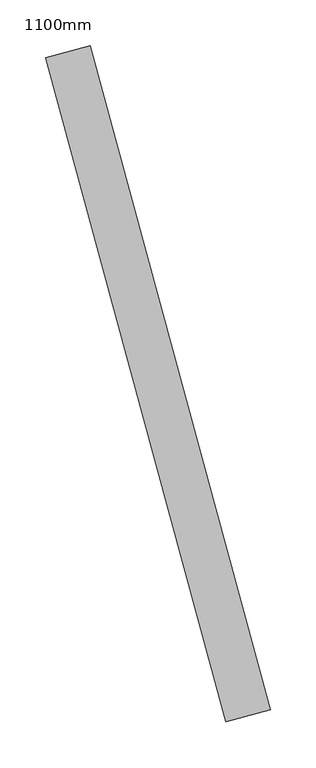
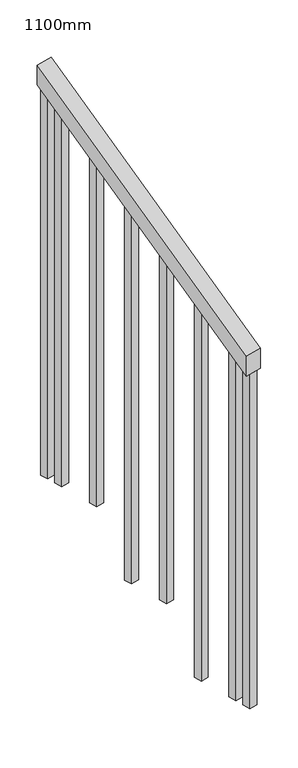
"""IFC4 building model written with IfcOpenShell, lengths in millimetres: railing geometry, 1100mm."""

from ifc_helpers import new_model, si_unit, frame, origin, place, context, project, spatial, polyline, outline, extrude, source, transform, mapped, element, save


def railing_1100mm_fe90957e(model_context):
    return source(origin(), model_context, "Body", "SweptSolid", [
        extrude(outline(polyline([(-35.5555555, -50.0), (0.0, 0.0), (920.2958462, 0.0), (884.7402906, -50.0), (-35.5555555, -50.0)])), frame((244699.1611672, 87092.3868938, 1277.7777778), z_axis=(0.9649894123601838, 0.26228883703418915, 0.0), x_axis=(-0.21375368431595645, 0.7864232597553966, 0.5795237863600168)), (0.0, 0.0, 1.0), 50.0),
        extrude(outline(polyline([(1271.980277, -25.0000001), (108.8888889, -25.0000001), (91.1111112, 0.0), (1271.980277, 0.0), (1271.980277, -25.0000001)])), frame((244527.6213489, 87771.158093, 1805.3136103), z_axis=(0.9649894123601837, 0.26228883703418915, 0.0), x_axis=(0.0, 0.0, -1.0)), (0.0, 0.0, 1.0), 25.0),
        extrude(outline(polyline([(1183.0913881, -25.0), (108.8888889, -25.0), (91.1111111, 0.0), (1183.0913881, 0.0), (1183.0913881, -25.0)])), frame((244560.4074536, 87650.5344164, 1716.4247214), z_axis=(0.9649894123601837, 0.26228883703418915, 0.0), x_axis=(0.0, 0.0, -1.0)), (0.0, 0.0, 1.0), 25.0),
        extrude(outline(polyline([(1271.9802769, -25.0), (108.8888889, -25.0), (91.1111111, 0.0), (1271.9802769, 0.0), (1271.9802769, -25.0)])), frame((244593.1935582, 87529.9107399, 1627.5358325), z_axis=(0.9649894123601837, 0.26228883703418915, 0.0), x_axis=(0.0, 0.0, -1.0)), (0.0, 0.0, 1.0), 25.0),
        extrude(outline(polyline([(1183.091388, -25.0), (108.8888889, -25.0), (91.1111111, 0.0), (1183.091388, 0.0), (1183.091388, -25.0)])), frame((244625.9796628, 87409.2870633, 1538.6469436), z_axis=(0.9649894123601837, 0.26228883703418915, 0.0), x_axis=(0.0, 0.0, -1.0)), (0.0, 0.0, 1.0), 25.0),
        extrude(outline(polyline([(1271.9802769, -25.0), (108.8888889, -25.0), (91.1111111, 0.0), (1271.9802769, 0.0), (1271.9802769, -25.0)])), frame((244658.7657675, 87288.6633868, 1449.7580547), z_axis=(0.9649894123601837, 0.26228883703418915, 0.0), x_axis=(0.0, 0.0, -1.0)), (0.0, 0.0, 1.0), 25.0),
        extrude(outline(polyline([(1183.091388, -25.0), (108.8888889, -25.0), (91.1111111, 0.0), (1183.091388, 0.0), (1183.091388, -25.0)])), frame((244691.5518721, 87168.0397102, 1360.8691658), z_axis=(0.9649894123601837, 0.26228883703418915, 0.0), x_axis=(0.0, 0.0, -1.0)), (0.0, 0.0, 1.0), 25.0),
        extrude(outline(polyline([(1307.5358325, -25.0), (108.8888889, -25.0), (91.1111111, 0.0), (1307.5358325, 0.0), (1307.5358325, -25.0)])), frame((244514.5069071, 87819.4075636, 1840.8691658), z_axis=(0.9649894123601837, 0.26228883703418915, 0.0), x_axis=(0.0, 0.0, -1.0)), (0.0, 0.0, 1.0), 25.0),
        extrude(outline(polyline([(1147.5358325, -25.0), (108.8888889, -25.0), (91.1111112, 0.0), (1147.5358325, 0.0), (1147.5358325, -25.0)])), frame((244704.6663139, 87119.7902396, 1325.3136103), z_axis=(0.9649894123601837, 0.26228883703418915, 0.0), x_axis=(0.0, 0.0, -1.0)), (0.0, 0.0, 1.0), 25.0),
    ])


if __name__ == "__main__":
    model = new_model("IFC4")
    model_context = context("Model", 3, world=origin())
    ifc_project = project(units=[si_unit("LENGTHUNIT", "METRE", prefix="MILLI")], contexts=[model_context])
    site = spatial("IfcSite", under=ifc_project)
    building = spatial("IfcBuilding", under=site)
    placement = place(None, origin())
    railing_1100mm_shape = railing_1100mm_fe90957e(model_context)
    element("IfcRailing", 1, ObjectType="1100mm", at=placement, inside=building, context=model_context, shape_type="MappedRepresentation", body=[
        mapped(railing_1100mm_shape, transform((0.0, 0.0, 0.0), x_axis=(1.0, 0.0, 0.0), y_axis=(0.0, 1.0, 0.0), z_axis=(0.0, 0.0, 1.0))),
    ])
    save(model, "model.ifc")
